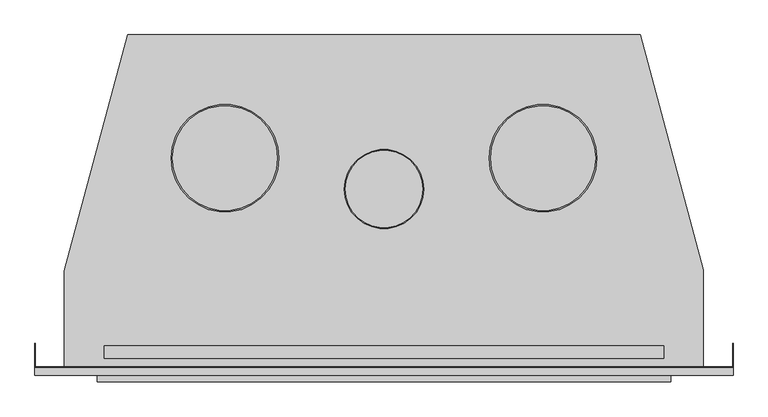
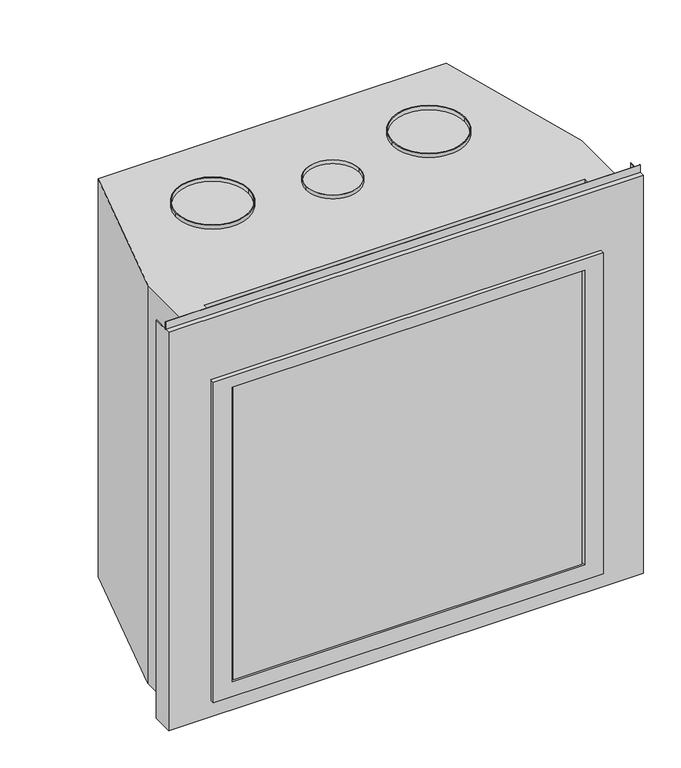
"""IFC4 building model written with IfcOpenShell, lengths in millimetres: proxy geometry."""

import ifcopenshell
import ifcopenshell.guid

model = None  # the IFC model being written
_history = None  # IfcOwnerHistory: only IFC2X3 demands one
_inside = {}  # id of a spatial element -> (the spatial element, [elements in it])
_under = {}  # id of a project, library or spatial element -> (it, [spatial elements below it])
_declared = {}  # id of a project -> (the project, [libraries it declares])
_typed = {}  # id of a type object -> (the type object, [elements of that type])
_made_of = {}  # id of a material, layer set ... -> (it, [elements and type objects made of it])


def new_model(schema):
    """Start an empty IFC model of exactly this schema.

    Asked for "IFC4X3", IfcOpenShell would pick the latest addendum, in which some entities
    have other attributes; the version numbers below select the first issue.
    IFC2X3 requires an IfcOwnerHistory on every rooted entity: one is made here for all.
    """
    global model, _history
    if schema == "IFC4X3":
        model = ifcopenshell.file(schema_version=(4, 3, 0, 0))
    else:
        model = ifcopenshell.file(schema=schema)
    _inside.clear()
    _under.clear()
    _declared.clear()
    _typed.clear()
    _made_of.clear()
    _history = None
    if model.schema == "IFC2X3":
        org = make("IfcOrganization", Name="unknown")
        user = make(
            "IfcPersonAndOrganization",
            ThePerson=make("IfcPerson", FamilyName="unknown"),
            TheOrganization=org,
        )
        app = make(
            "IfcApplication",
            ApplicationDeveloper=org,
            Version="unknown",
            ApplicationFullName="unknown",
            ApplicationIdentifier="unknown",
        )
        _history = make(
            "IfcOwnerHistory",
            OwningUser=user,
            OwningApplication=app,
            ChangeAction="ADDED",
            CreationDate=0,
        )
    return model


def make(cls, **values):
    """One entity of the class cls with the attributes given. An attribute that is None is left unset."""
    return model.create_entity(
        cls, **{name: value for name, value in values.items() if value is not None}
    )


def rooted(cls, **values):
    """An entity with a GlobalId (a new one), such as an element, a storey or a relation."""
    return make(cls, GlobalId=ifcopenshell.guid.new(), OwnerHistory=_history, **values)


def si_unit(unit_type, name, prefix=None):
    """IfcSIUnit, for example si_unit("LENGTHUNIT", "METRE", prefix="MILLI")."""
    return make("IfcSIUnit", UnitType=unit_type, Prefix=prefix, Name=name)


def assignment(units):
    """IfcUnitAssignment: the units of a project."""
    return None if units is None else make("IfcUnitAssignment", Units=units)


def point(xyz):
    """IfcCartesianPoint."""
    return None if xyz is None else make("IfcCartesianPoint", Coordinates=xyz)


def direction(xyz):
    """IfcDirection."""
    return None if xyz is None else make("IfcDirection", DirectionRatios=xyz)


def frame(location, z_axis=None, x_axis=None):
    """IfcAxis2Placement3D, a coordinate frame: its origin and axes. An axis left out is left unset."""
    return make(
        "IfcAxis2Placement3D",
        Location=point(location),
        Axis=direction(z_axis),
        RefDirection=direction(x_axis),
    )


def frame_2d(location, x_axis=None):
    """IfcAxis2Placement2D, a coordinate frame in the plane: its origin and x axis."""
    return make(
        "IfcAxis2Placement2D", Location=point(location), RefDirection=direction(x_axis)
    )


def origin():
    """The frame at (0, 0, 0) with its axes left unset."""
    return frame((0.0, 0.0, 0.0))


def place(relative_to, where):
    """IfcLocalPlacement: puts the frame where relative to a parent placement (None: the world)."""
    return make(
        "IfcLocalPlacement", PlacementRelTo=relative_to, RelativePlacement=where
    )


def context(
    kind, dimensions, precision=None, world=None, true_north=None, identifier=None
):
    """IfcGeometricRepresentationContext, for example the 3D "Model" context."""
    return make(
        "IfcGeometricRepresentationContext",
        ContextIdentifier=identifier,
        ContextType=kind,
        CoordinateSpaceDimension=dimensions,
        Precision=precision,
        WorldCoordinateSystem=world,
        TrueNorth=true_north,
    )


def project(units=None, contexts=None):
    """IfcProject with its units and contexts."""
    return rooted(
        "IfcProject",
        Name="project",
        RepresentationContexts=contexts,
        UnitsInContext=assignment(units),
    )


def spatial(cls, under=None, at=None, **own):
    """A site, building, storey or space (cls), placed at a placement, below another one or the project."""
    s = rooted(cls, ObjectPlacement=at, **own)
    if under is not None:
        _under.setdefault(under.id(), (under, []))[1].append(s)
    return s


def polyline(points):
    """IfcPolyline through the points."""
    return make("IfcPolyline", Points=[point(p) for p in points])


def circle_curve(where, radius):
    """IfcCircle in the frame where."""
    return make("IfcCircle", Position=where, Radius=radius)


def trimmed(basis, trim1, trim2, sense, master):
    """IfcTrimmedCurve: the piece of a basis curve between two trims."""
    return make(
        "IfcTrimmedCurve",
        BasisCurve=basis,
        Trim1=trim1,
        Trim2=trim2,
        SenseAgreement=sense,
        MasterRepresentation=master,
    )


def segment(curve, same_sense, transition):
    """IfcCompositeCurveSegment."""
    return make(
        "IfcCompositeCurveSegment",
        Transition=transition,
        SameSense=same_sense,
        ParentCurve=curve,
    )


def composite_curve(segments, self_intersect=None):
    """IfcCompositeCurve: segments joined end to end."""
    return make("IfcCompositeCurve", Segments=segments, SelfIntersect=self_intersect)


def outline(outer, holes=None, kind="AREA"):
    """IfcArbitraryClosedProfileDef: a profile drawn as a closed curve; with holes, ...WithVoids."""
    if holes is None:
        return make("IfcArbitraryClosedProfileDef", ProfileType=kind, OuterCurve=outer)
    return make(
        "IfcArbitraryProfileDefWithVoids",
        ProfileType=kind,
        OuterCurve=outer,
        InnerCurves=holes,
    )


def extrude(swept, where, along, depth):
    """IfcExtrudedAreaSolid: the profile swept, set in the frame where, extruded along a direction by depth."""
    return make(
        "IfcExtrudedAreaSolid",
        SweptArea=swept,
        Position=where,
        ExtrudedDirection=direction(along),
        Depth=depth,
    )


def faces_of(points, faces, orient=None, outer=None):
    """IfcFace entities. A face is a list of loops; a loop is a list of indices into points, from 0.

    orient and outer hold one flag for each loop. By default every Orientation is true, the
    first loop of a face is its IfcFaceOuterBound and the others are IfcFaceBound.
    """
    made = []
    for i, loops in enumerate(faces):
        bounds = []
        for j, loop in enumerate(loops):
            is_outer = j == 0 if outer is None else outer[i][j]
            bounds.append(
                make(
                    "IfcFaceOuterBound" if is_outer else "IfcFaceBound",
                    Bound=make("IfcPolyLoop", Polygon=[points[k] for k in loop]),
                    Orientation=True if orient is None else orient[i][j],
                )
            )
        made.append(make("IfcFace", Bounds=bounds))
    return made


def faceted_brep(points, faces, orient=None, outer=None, voids=None):
    """IfcFacetedBrep: a solid bounded by flat faces; with voids (closed shells), ...WithVoids."""
    shared = [point(p) for p in points]
    hull = make("IfcClosedShell", CfsFaces=faces_of(shared, faces, orient, outer))
    if voids is None:
        return make("IfcFacetedBrep", Outer=hull)
    return make(
        "IfcFacetedBrepWithVoids",
        Outer=hull,
        Voids=[
            make(cls, CfsFaces=faces_of(shared, fs, o, b)) for cls, fs, o, b in voids
        ],
    )


def shape(context_of_items, identifier, shape_type, items):
    """IfcShapeRepresentation: the items that make up one representation, for example the "Body"."""
    return make(
        "IfcShapeRepresentation",
        ContextOfItems=context_of_items,
        RepresentationIdentifier=identifier,
        RepresentationType=shape_type,
        Items=items,
    )


def source(mapping_origin, context_of_items, identifier, shape_type, items):
    """IfcRepresentationMap: a shape defined once, which mapped items show again and again."""
    return make(
        "IfcRepresentationMap",
        MappingOrigin=mapping_origin,
        MappedRepresentation=shape(context_of_items, identifier, shape_type, items),
    )


def transform(
    local_origin,
    x_axis=None,
    y_axis=None,
    z_axis=None,
    scale=None,
    scale2=None,
    scale3=None,
    uniform=True,
):
    """IfcCartesianTransformationOperator3D, or its non-uniform kind. x_axis, y_axis, z_axis: its Axis1, 2, 3."""
    if uniform:
        return make(
            "IfcCartesianTransformationOperator3D",
            Axis1=direction(x_axis),
            Axis2=direction(y_axis),
            LocalOrigin=point(local_origin),
            Scale=scale,
            Axis3=direction(z_axis),
        )
    return make(
        "IfcCartesianTransformationOperator3DnonUniform",
        Axis1=direction(x_axis),
        Axis2=direction(y_axis),
        LocalOrigin=point(local_origin),
        Scale=scale,
        Axis3=direction(z_axis),
        Scale2=scale2,
        Scale3=scale3,
    )


def mapped(mapping_source, mapping_target):
    """IfcMappedItem: shows the shape of a source again, moved by a transform."""
    return make(
        "IfcMappedItem", MappingSource=mapping_source, MappingTarget=mapping_target
    )


def made_of(thing, what):
    """Note that an element or type object is made of a material, layer set ...; save() writes the relation."""
    if what is not None:
        _made_of.setdefault(what.id(), (what, []))[1].append(thing)
    return thing


def element(
    cls,
    number,
    at=None,
    inside=None,
    cuts=None,
    type_object=None,
    material=None,
    context=None,
    identifier="Body",
    shape_type=None,
    held_by="IfcProductDefinitionShape",
    body=None,
    shapes=None,
    **own,
):
    """One element of the class cls, such as IfcWall. Its Tag is "e" and its number.

    at: its placement. inside: the storey or other place that contains it. cuts: it is an
    opening in that element (IfcRelVoidsElement). A single representation is given by context,
    identifier, shape_type and body (its items); several are given by shapes. held_by: the class
    of the entity that holds the representations. save() writes the other relations.
    """
    e = rooted(cls, Tag="e%d" % number, ObjectPlacement=at, **own)
    if body is not None:
        shapes = [shape(context, identifier, shape_type, body)]
    if shapes is not None:
        e.Representation = make(held_by, Representations=shapes)
    if inside is not None:
        _inside.setdefault(inside.id(), (inside, []))[1].append(e)
    if cuts is not None:
        rooted(
            "IfcRelVoidsElement", RelatingBuildingElement=cuts, RelatedOpeningElement=e
        )
    if type_object is not None:
        _typed.setdefault(type_object.id(), (type_object, []))[1].append(e)
    return made_of(e, material)


def aggregate(whole, parts):
    """IfcRelAggregates: a whole, such as a stair, and the parts it consists of."""
    return rooted("IfcRelAggregates", RelatingObject=whole, RelatedObjects=parts)


def save(model, path):
    """Write the relations noted so far, then the file.

    IfcRelAggregates (storeys below a building ...), IfcRelContainedInSpatialStructure (elements
    in a storey), IfcRelDefinesByType, IfcRelAssociatesMaterial and IfcRelDeclares: one each for
    every whole, place, type object, material and project.
    """
    for whole, parts in _under.values():
        aggregate(whole, parts)
    for where, things in _inside.values():
        rooted(
            "IfcRelContainedInSpatialStructure",
            RelatedElements=things,
            RelatingStructure=where,
        )
    for kind, things in _typed.values():
        rooted("IfcRelDefinesByType", RelatedObjects=things, RelatingType=kind)
    for what, things in _made_of.values():
        rooted("IfcRelAssociatesMaterial", RelatedObjects=things, RelatingMaterial=what)
    for by, libraries in _declared.values():
        rooted("IfcRelDeclares", RelatingContext=by, RelatedDefinitions=libraries)
    model.write(path)


def generic_models_65e2d68c(model_context):
    return source(origin(), model_context, "Body", "SolidModel", [
        extrude(outline(composite_curve([segment(trimmed(circle_curve(frame_2d((260.1485878, 355.261382)), 88.0569282), [point((348.2055161, 355.261382))], [point((172.0916596, 355.261382))], False, "CARTESIAN"), True, "CONTINUOUS"), segment(trimmed(circle_curve(frame_2d((260.1485878, 355.261382)), 88.0569282), [point((172.0916596, 355.261382))], [point((348.2055161, 355.261382))], False, "CARTESIAN"), True, "CONTINUOUS")], self_intersect=False), holes=[composite_curve([segment(trimmed(circle_curve(frame_2d((260.1485878, 355.261382)), 85.8051784), [point((345.9537663, 355.261382))], [point((174.3434094, 355.261382))], True, "CARTESIAN"), True, "CONTINUOUS"), segment(trimmed(circle_curve(frame_2d((260.1485878, 355.261382)), 85.8051784), [point((174.3434094, 355.261382))], [point((345.9537663, 355.261382))], True, "CARTESIAN"), True, "CONTINUOUS")], self_intersect=False)]), frame((0.0, 0.0, 1012.825), z_axis=(0.0, 0.0, 1.0), x_axis=(1.0, 0.0, 0.0)), (0.0, 0.0, 1.0), 9.525),
        extrude(outline(composite_curve([segment(trimmed(circle_curve(frame_2d((-260.1485878, 355.261382)), 88.0569282), [point((-348.2055161, 355.261382))], [point((-172.0916596, 355.261382))], False, "CARTESIAN"), True, "CONTINUOUS"), segment(trimmed(circle_curve(frame_2d((-260.1485878, 355.261382)), 88.0569282), [point((-172.0916596, 355.261382))], [point((-348.2055161, 355.261382))], False, "CARTESIAN"), True, "CONTINUOUS")], self_intersect=False), holes=[composite_curve([segment(trimmed(circle_curve(frame_2d((-260.1485878, 355.261382)), 85.8051784), [point((-345.9537663, 355.261382))], [point((-174.3434094, 355.261382))], True, "CARTESIAN"), True, "CONTINUOUS"), segment(trimmed(circle_curve(frame_2d((-260.1485878, 355.261382)), 85.8051784), [point((-174.3434094, 355.261382))], [point((-345.9537663, 355.261382))], True, "CARTESIAN"), True, "CONTINUOUS")], self_intersect=False)]), frame((0.0, 0.0, 1012.825), z_axis=(0.0, 0.0, 1.0), x_axis=(1.0, 0.0, 0.0)), (0.0, 0.0, 1.0), 9.525),
        extrude(outline(polyline([(857.25, 469.10625), (857.25, -469.10625), (41.275, -469.10625), (41.275, 469.10625), (857.25, 469.10625)]), holes=[polyline([(828.675, 423.8625), (79.375, 423.8625), (79.375, -423.8625), (828.675, -423.8625), (828.675, 423.8625)])]), frame((0.0, -10.5847793, 0.0), z_axis=(0.0, 1.0, 0.0), x_axis=(0.0, 0.0, 1.0)), (0.0, 0.0, 1.0), 10.5847793),
        extrude(outline(polyline([(570.9942695, 13.5038431), (570.9942695, 12.6915819), (-570.9942695, 12.6915819), (-570.9942695, 13.5038431), (570.9942695, 13.5038431)])), frame((0.0, 0.0, 1012.825), z_axis=(0.0, 0.0, 1.0), x_axis=(1.0, 0.0, 0.0)), (0.0, 0.0, 1.0), 19.05),
        faceted_brep([(-570.9942695, 0.0, 1012.825), (570.9942695, 0.0, 1012.825), (570.9942695, 51.5785888, 1012.825), (570.1820082, 51.5785888, 1012.825), (570.1820082, 13.5038431, 1012.825), (522.1801803, 13.5038431, 1012.825), (522.1801803, 172.5015738, 1012.825), (419.1179478, 557.135062, 1012.825), (-419.1179478, 557.135062, 1012.825), (-522.7916414, 170.21957, 1012.825), (-522.7916414, 13.5038431, 1012.825), (-570.1820082, 13.5038431, 1012.825), (-570.1820082, 51.5785888, 1012.825), (-570.9942695, 51.5785888, 1012.825), (-457.6129551, 47.625, 1012.825), (457.5919888, 47.625, 1012.825), (457.5919888, 27.6254761, 1012.825), (-457.6129551, 27.6254761, 1012.825), (-570.9942695, 0.0, 0.0), (-570.9942695, 51.5785888, 0.0), (-570.1820082, 51.5785888, 0.0), (-570.1820082, 13.5038431, 0.0), (-522.7916414, 13.5038431, 0.0), (-522.7916414, 170.21957, 0.0), (-419.1179478, 557.135062, 0.0), (419.1179478, 557.135062, 0.0), (522.1801803, 172.5015738, 0.0), (522.1801803, 13.5038431, 0.0), (570.1820082, 13.5038431, 0.0), (570.1820082, 51.5785888, 0.0), (570.9942695, 51.5785888, 0.0), (570.9942695, 0.0, 0.0), (423.8625, 0.0, 828.675), (423.8625, 0.0, 79.375), (-423.8625, 0.0, 79.375), (-423.8625, 0.0, 828.675), (457.5919888, 47.625, 995.2292565), (-457.6129551, 47.625, 995.2292565), (457.5919888, 27.6254761, 995.2292565), (-457.6129551, 27.6254761, 995.2292565), (423.8625, 172.5015738, 828.675), (-423.8625, 172.5015738, 828.675), (-423.8625, 172.5015738, 79.375), (423.8625, 172.5015738, 79.375)], [[[0, 1, 2, 3, 4, 5, 6, 7, 8, 9, 10, 11, 12, 13], [14, 15, 16, 17]], [[18, 19, 20, 21, 22, 23, 24, 25, 26, 27, 28, 29, 30, 31]], [[1, 0, 18, 31], [32, 33, 34, 35]], [[36, 15, 14, 37]], [[38, 39, 17, 16]], [[36, 37, 39, 38]], [[37, 14, 17, 39]], [[15, 36, 38, 16]], [[2, 1, 31, 30]], [[3, 2, 30, 29]], [[4, 3, 29, 28]], [[5, 4, 28, 27]], [[6, 5, 27, 26]], [[7, 6, 26, 25]], [[8, 7, 25, 24]], [[9, 8, 24, 23]], [[10, 9, 23, 22]], [[11, 10, 22, 21]], [[12, 11, 21, 20]], [[13, 12, 20, 19]], [[0, 13, 19, 18]], [[40, 41, 42, 43]], [[40, 43, 33, 32]], [[43, 42, 34, 33]], [[42, 41, 35, 34]], [[41, 40, 32, 35]]]),
        extrude(outline(composite_curve([segment(trimmed(circle_curve(frame_2d((0.0, 304.547199)), 64.7071711), [point((-64.7071711, 304.547199))], [point((64.7071711, 304.547199))], False, "CARTESIAN"), True, "CONTINUOUS"), segment(trimmed(circle_curve(frame_2d((0.0, 304.547199)), 64.7071711), [point((64.7071711, 304.547199))], [point((-64.7071711, 304.547199))], False, "CARTESIAN"), True, "CONTINUOUS")], self_intersect=False), holes=[composite_curve([segment(trimmed(circle_curve(frame_2d((0.0, 304.547199)), 63.5), [point((-63.5, 304.547199))], [point((63.5, 304.547199))], True, "CARTESIAN"), True, "CONTINUOUS"), segment(trimmed(circle_curve(frame_2d((0.0, 304.547199)), 63.5), [point((63.5, 304.547199))], [point((-63.5, 304.547199))], True, "CARTESIAN"), True, "CONTINUOUS")], self_intersect=False)]), frame((0.0, 0.0, 1012.825), z_axis=(0.0, 0.0, 1.0), x_axis=(1.0, 0.0, 0.0)), (0.0, 0.0, 1.0), 9.525),
        extrude(outline(polyline([(419.1179478, -6.0505537), (-419.1179478, -6.0505537), (-419.1179478, 47.625), (419.1179478, 47.625), (419.1179478, -6.0505537)])), frame((0.0, 0.0, 79.375), z_axis=(0.0, 0.0, 1.0), x_axis=(1.0, 0.0, 0.0)), (0.0, 0.0, 1.0), 749.3),
    ])


if __name__ == "__main__":
    model = new_model("IFC4")
    model_context = context("Model", 3, world=origin())
    ifc_project = project(units=[si_unit("LENGTHUNIT", "METRE", prefix="MILLI")], contexts=[model_context])
    site = spatial("IfcSite", under=ifc_project)
    building = spatial("IfcBuilding", under=site)
    placement = place(None, origin())
    generic_models_shape = generic_models_65e2d68c(model_context)
    element("IfcBuildingElementProxy", 1, Name="Generic Models", at=placement, inside=building, context=model_context, shape_type="MappedRepresentation", body=[
        mapped(generic_models_shape, transform((0.0, 0.0, 0.0), x_axis=(1.0, 0.0, 0.0), y_axis=(0.0, 1.0, 0.0), z_axis=(0.0, 0.0, 1.0))),
    ])
    save(model, "model.ifc")
